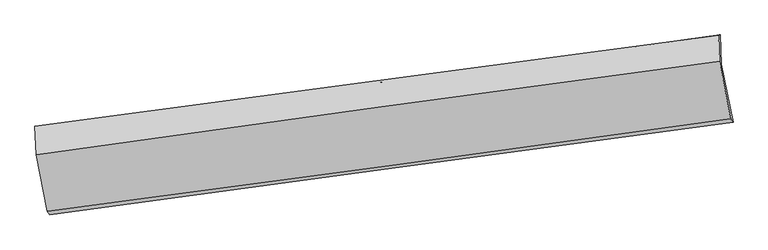
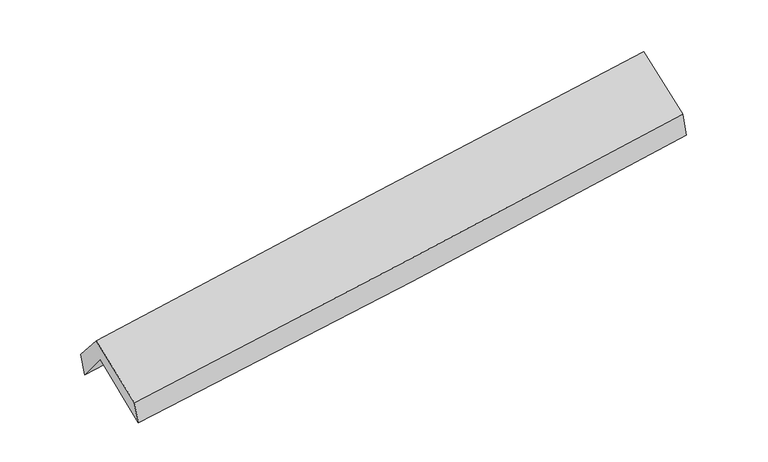
"""IFC4 building model written with IfcOpenShell, lengths in millimetres: proxy geometry."""

from ifc_helpers import new_model, si_unit, frame, origin, place, context, project, spatial, source, transform, mapped, element, save
from ifc_brep_helpers import plane_surface, spline_curve, spline_surface, advanced_brep


def generic_models_91ac0e17(model_context):
    return source(origin(), model_context, "Body", "AdvancedBrep", [
        advanced_brep(
        [(-2910.4869089, -2485.5158462, 1459.3330643), (-3009.0227388, -1996.3022902, 1871.3106665), (2952.5107551, -1171.8052707, 2364.1314718), (3053.8815996, -1675.667623, 1932.8168269), (-3019.0179763, -1743.1728975, 1556.6956303), (2941.9412807, -914.432105, 2049.5204494), (-3039.109597, -1711.6941506, 1760.2669738), (2927.3102224, -917.2574412, 2244.3950421), (-3028.3650662, -1958.1250918, 2053.5028179), (2935.3593499, -1142.7482706, 2535.7529901), (-2930.6353515, -2452.8426351, 1661.544143), (3033.4538195, -1647.0957179, 2147.8180838)],
        [
            (0, 1),
            (1, 2, spline_curve(3, [(-3009.0227388, -1996.3022902, 1871.3106665), (-2014.518135415, -1858.010150938, 1939.995718473), (-1020.492249948, -1720.158867713, 2015.404635074), (966.68566175, -1445.326453431, 2179.677105271), (1959.837607561, -1308.345397259, 2268.54179081), (2952.5107551, -1171.8052707, 2364.1314718)], [4, 2, 4], [0.0, 9.90480135015044, 19.81043588435558])),
            (2, 3),
            (3, 0, spline_curve(3, [(3053.8815996, -1675.667623, 1932.8168269), (2060.976245497, -1809.439142206, 1836.735843937), (1067.471929897, -1943.815117429, 1749.237073955), (-920.651006949, -2213.764627079, 1591.410596685), (-1915.269527616, -2349.33805946, 1521.081446134), (-2910.4869089, -2485.5158462, 1459.3330643)], [4, 2, 4], [0.0, 9.905634534205142, 19.81043588435558])),
            (1, 4),
            (4, 5, spline_curve(3, [(-3019.0179763, -1743.1728975, 1556.6956303), (-2024.455924278, -1604.619400554, 1624.176183328), (-1030.449162252, -1466.283814699, 1698.983159231), (956.537350204, -1190.036847352, 1863.256866365), (1949.517007135, -1052.125502087, 1952.724830044), (2941.9412807, -914.432105, 2049.5204494)], [4, 2, 4], [0.0, 9.905385800613923, 19.811604834446058])),
            (5, 2),
            (4, 6),
            (6, 7, spline_curve(3, [(-3039.109597, -1711.6941506, 1760.2669738), (-2044.101629588, -1578.993942269, 1832.624545236), (-1049.416891907, -1446.44355715, 1909.145464778), (939.389769011, -1181.631295219, 2070.520786919), (1933.511637757, -1049.369444168, 2155.375890264), (2927.3102224, -917.2574412, 2244.3950421)], [4, 2, 4], [0.0, 9.905339020911184, 19.81151127110551])),
            (7, 5),
            (6, 8),
            (8, 9, spline_curve(3, [(-3028.3650662, -1958.1250918, 2053.5028179), (-2035.052707001, -1818.108692675, 2134.92093094), (-1041.440407298, -1680.155195952, 2215.815833661), (946.46768121, -1408.362574839, 2376.565979143), (1940.763519939, -1274.523798154, 2456.421133847), (2935.3593499, -1142.7482706, 2535.7529901)], [4, 2, 4], [0.0, 9.905278553087493, 19.811390330371623])),
            (9, 7),
            (8, 10),
            (10, 11, spline_curve(3, [(-2930.6353515, -2452.8426351, 1661.544143), (-1935.446811368, -2323.947408932, 1736.775799111), (-940.865987846, -2192.357156886, 1814.912628938), (1047.163838077, -1923.775304342, 1977.003454051), (2040.612738308, -1786.783251028, 2060.957937691), (3033.4538195, -1647.0957179, 2147.8180838)], [4, 2, 4], [0.0, 9.904755004695371, 19.8103431895469])),
            (11, 9),
            (10, 0),
            (3, 11),
        ],
        [
            spline_surface(3, 3, [[(-2910.4869089, -2485.5158462, 1459.3330643), (-1915.269527733, -2349.338059351, 1521.081446011), (-920.651006982, -2213.764626962, 1591.41059673), (1067.47192993, -1943.815117546, 1749.23707391), (2060.976245366, -1809.439142208, 1836.73584408), (3053.8815996, -1675.667623, 1932.8168269)], [(-2943.332185541, -2322.444660873, 1596.658931679), (-1948.352396995, -2185.562089906, 1660.719536828), (-953.931421333, -2049.229373857, 1732.741942786), (1033.87650722, -1777.652229581, 1892.71708441), (2027.263366125, -1642.407893875, 1980.671159647), (3020.091318097, -1507.713505588, 2076.588375195)], [(-2976.177462159, -2159.373475527, 1733.984799121), (-1981.435266235, -2021.786120441, 1800.357627709), (-987.211835667, -1884.694120674, 1874.073288861), (1000.281084528, -1611.489341539, 2036.197094928), (1993.550486892, -1475.37664548, 2124.606475228), (2986.301036603, -1339.759388112, 2220.359923505)], [(-3009.0227388, -1996.3022902, 1871.3106665), (-2014.518135498, -1858.010150997, 1939.995718526), (-1020.492250017, -1720.158867569, 2015.404634917), (966.685661819, -1445.326453575, 2179.677105428), (1959.83760765, -1308.345397147, 2268.541790795), (2952.5107551, -1171.8052707, 2364.1314718)]], [4, 4], [4, 2, 4], [0.0, 2.172898364952304], [0.0, 9.90480135015044, 19.81043588435558]),
            spline_surface(3, 3, [[(-3009.0227388, -1996.3022902, 1871.3106665), (-2014.518135498, -1858.010150997, 1939.995718526), (-1020.492250017, -1720.158867569, 2015.404634917), (966.685661819, -1445.326453575, 2179.677105428), (1959.83760765, -1308.345397147, 2268.541790795), (2952.5107551, -1171.8052707, 2364.1314718)], [(-3012.354484608, -1911.925825968, 1766.438987778), (-2017.830731735, -1773.546567514, 1834.722540111), (-1023.811220752, -1635.533849959, 1909.930809696), (963.302891276, -1360.229918125, 2074.203692393), (1956.397407501, -1222.938765483, 2163.269470543), (2948.987596984, -1086.014215441, 2259.261131013)], [(-3015.686230492, -1827.549361732, 1661.567309022), (-2021.143328051, -1689.082984027, 1729.449361661), (-1027.130191495, -1550.908832391, 1804.456984485), (959.920120724, -1275.133382718, 1968.730279367), (1952.9572073, -1137.532133896, 2057.997150254), (2945.464438816, -1000.223160259, 2154.390790187)], [(-3019.0179763, -1743.1728975, 1556.6956303), (-2024.455924289, -1604.619400545, 1624.176183246), (-1030.449162229, -1466.283814781, 1698.983159264), (956.537350181, -1190.036847269, 1863.256866332), (1949.51700715, -1052.125502232, 1952.724830002), (2941.9412807, -914.432105, 2049.5204494)]], [4, 4], [4, 2, 4], [0.0, 1.3328264463192918], [0.0, 9.905385800613923, 19.811604834446058]),
            spline_surface(3, 3, [[(-3019.0179763, -1743.1728975, 1556.6956303), (-2024.455924289, -1604.619400545, 1624.176183246), (-1030.449162229, -1466.283814781, 1698.983159264), (956.537350181, -1190.036847269, 1863.256866332), (1949.51700715, -1052.125502232, 1952.724830002), (2941.9412807, -914.432105, 2049.5204494)], [(-3025.715183222, -1732.679981867, 1624.552744796), (-2031.00449274, -1596.077581106, 1693.658970558), (-1036.771738788, -1459.670395515, 1769.037261079), (950.821489771, -1187.23499661, 1932.344839887), (1944.18188401, -1051.206816188, 2020.275183403), (2937.064261266, -915.373883732, 2114.478646942)], [(-3032.412390078, -1722.187066233, 1692.409859304), (-2037.553061126, -1587.535761666, 1763.141757884), (-1043.094315318, -1453.056976297, 1839.09136289), (945.10562939, -1184.433145998, 2001.432813438), (1938.846760871, -1050.288130148, 2087.825536878), (2932.187241834, -916.315662468, 2179.436844558)], [(-3039.109597, -1711.6941506, 1760.2669738), (-2044.101629577, -1578.993942227, 1832.624545196), (-1049.416891876, -1446.443557031, 1909.145464704), (939.38976898, -1181.631295339, 2070.520786992), (1933.51163773, -1049.369444105, 2155.375890279), (2927.3102224, -917.2574412, 2244.3950421)]], [4, 4], [4, 2, 4], [0.0, 0.6888719431205274], [0.0, 9.905339020911184, 19.81151127110551]),
            spline_surface(3, 3, [[(-3039.109597, -1711.6941506, 1760.2669738), (-2044.101629577, -1578.993942227, 1832.624545196), (-1049.416891876, -1446.443557031, 1909.145464704), (939.38976898, -1181.631295339, 2070.520786992), (1933.51163773, -1049.369444105, 2155.375890279), (2927.3102224, -917.2574412, 2244.3950421)], [(-3035.528086714, -1793.837797667, 1858.012255178), (-2041.085322058, -1658.698859073, 1933.390007126), (-1046.758063644, -1524.347436637, 2011.368921028), (941.749072997, -1257.208388573, 2172.535851021), (1935.928931769, -1124.420895494, 2255.724304789), (2929.993264887, -992.421051015, 2341.514358101)], [(-3031.946576486, -1875.981444733, 1955.757536522), (-2038.069014595, -1738.403775919, 2034.155469023), (-1044.099235382, -1602.251316194, 2113.592377376), (944.108377044, -1332.785481756, 2274.550915075), (1938.346225847, -1199.472346838, 2356.072719295), (2932.676307413, -1067.584660785, 2438.633674099)], [(-3028.3650662, -1958.1250918, 2053.5028179), (-2035.052707075, -1818.108692764, 2134.920930953), (-1041.44040715, -1680.155195801, 2215.8158337), (946.467681062, -1408.36257499, 2376.565979104), (1940.763519885, -1274.523798227, 2456.421133805), (2935.3593499, -1142.7482706, 2535.7529901)]], [4, 4], [4, 2, 4], [0.0, 1.2575229358994682], [0.0, 9.905278553087493, 19.811390330371623]),
            spline_surface(3, 3, [[(-3028.3650662, -1958.1250918, 2053.5028179), (-2035.052707075, -1818.108692764, 2134.920930953), (-1041.44040715, -1680.155195801, 2215.8158337), (946.467681062, -1408.36257499, 2376.565979104), (1940.763519885, -1274.523798227, 2456.421133805), (2935.3593499, -1142.7482706, 2535.7529901)], [(-2995.788494658, -2123.030939572, 1922.849926261), (-2001.850741842, -1986.721598146, 2002.205887013), (-1007.915600687, -1850.889182774, 2082.181432193), (980.033066765, -1580.166818124, 2243.378470731), (1974.046592697, -1445.276949096, 2324.600068403), (2968.057506454, -1310.864086353, 2406.441354674)], [(-2963.211923042, -2287.936787328, 1792.197034639), (-1968.648776535, -2155.334503512, 1869.490843088), (-974.390794314, -2021.623169806, 1948.547030598), (1013.598452379, -1751.971061316, 2110.19096227), (2007.329665446, -1616.030100005, 2192.779002978), (3000.755662946, -1478.979902147, 2277.129719226)], [(-2930.6353515, -2452.8426351, 1661.544143), (-1935.446811301, -2323.947408893, 1736.775799148), (-940.865987851, -2192.357156779, 1814.912629091), (1047.163838082, -1923.77530445, 1977.003453898), (2040.612738257, -1786.783250874, 2060.957937576), (3033.4538195, -1647.0957179, 2147.8180838)]], [4, 4], [4, 2, 4], [0.0, 2.162150382284454], [0.0, 9.904755004695371, 19.8103431895469]),
            spline_surface(3, 3, [[(-2930.6353515, -2452.8426351, 1661.544143), (-1935.446811301, -2323.947408893, 1736.775799148), (-940.865987851, -2192.357156779, 1814.912629091), (1047.163838082, -1923.77530445, 1977.003453898), (2040.612738257, -1786.783250874, 2060.957937576), (3033.4538195, -1647.0957179, 2147.8180838)], [(-2923.919203957, -2463.733705453, 1594.140450108), (-1928.721050102, -2332.410959032, 1664.877681444), (-934.127660902, -2199.49298018, 1740.411951624), (1053.933202024, -1930.455242155, 1901.081327222), (2047.400573939, -1794.335214656, 1986.217239752), (3040.263079512, -1656.619686271, 2076.150998174)], [(-2917.203056443, -2474.624775847, 1526.736757192), (-1921.995288932, -2340.874509212, 1592.979563715), (-927.389333931, -2206.628803561, 1665.911274197), (1060.702565988, -1937.13517984, 1825.159200586), (2054.188409685, -1801.887178426, 1911.476541905), (3047.072339588, -1666.143654629, 2004.483912526)], [(-2910.4869089, -2485.5158462, 1459.3330643), (-1915.269527733, -2349.338059351, 1521.081446011), (-920.651006982, -2213.764626962, 1591.41059673), (1067.47192993, -1943.815117546, 1749.23707391), (2060.976245366, -1809.439142208, 1836.73584408), (3053.8815996, -1675.667623, 1932.8168269)]], [4, 4], [4, 2, 4], [0.0, 0.7463523027098646], [0.0, 9.904253887928588, 19.80934091385979]),
            plane_surface(frame((2974.0761712, -1244.8344047, 2212.4058107), z_axis=(0.9881032075862826, 0.13363103822849617, 0.07612356257870719), x_axis=(0.15236720303571968, -0.7833877909918979, -0.6025676761691638))),
            plane_surface(frame((-2989.4396065, -2057.9421519, 1727.1088826), z_axis=(-0.9879553544264353, -0.13437645551545316, -0.07672799921306402), x_axis=(-0.09789241844944674, 0.15874475799812673, 0.9824546687854023))),
        ],
        [
            (0, [[1, 2, 3, 4]]),
            (1, [[5, 6, 7, -2]]),
            (2, [[8, 9, 10, -6]]),
            (3, [[11, 12, 13, -9]]),
            (4, [[14, 15, 16, -12]]),
            (5, [[17, -4, 18, -15]]),
            (6, [[-16, -18, -3, -7, -10, -13]]),
            (7, [[-17, -14, -11, -8, -5, -1]]),
        ],
    ),
    ])


if __name__ == "__main__":
    model = new_model("IFC4")
    model_context = context("Model", 3, world=origin())
    ifc_project = project(units=[si_unit("LENGTHUNIT", "METRE", prefix="MILLI")], contexts=[model_context])
    site = spatial("IfcSite", under=ifc_project)
    building = spatial("IfcBuilding", under=site)
    placement = place(None, origin())
    generic_models_shape = generic_models_91ac0e17(model_context)
    element("IfcBuildingElementProxy", 1, Name="Generic Models", at=placement, inside=building, context=model_context, shape_type="MappedRepresentation", body=[
        mapped(generic_models_shape, transform((0.0, 0.0, 0.0), x_axis=(1.0, 0.0, 0.0), y_axis=(0.0, 1.0, 0.0), z_axis=(0.0, 0.0, 1.0))),
    ])
    save(model, "model.ifc")
